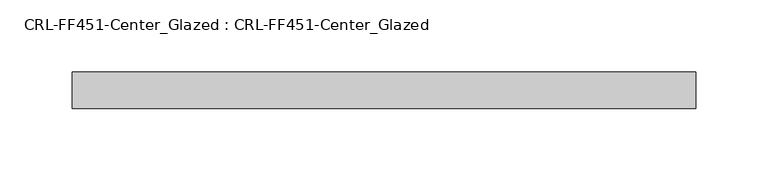
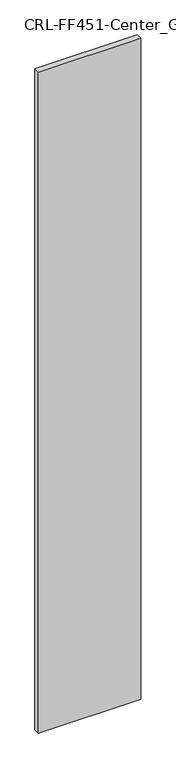
"""IFC4 building model written with IfcOpenShell, lengths in millimetres: plate geometry, CRL-FF451-Center_Glazed : CRL-FF451-Center_Glazed."""

import ifcopenshell
import ifcopenshell.guid

model = None  # the IFC model being written
_history = None  # IfcOwnerHistory: only IFC2X3 demands one
_inside = {}  # id of a spatial element -> (the spatial element, [elements in it])
_under = {}  # id of a project, library or spatial element -> (it, [spatial elements below it])
_declared = {}  # id of a project -> (the project, [libraries it declares])
_typed = {}  # id of a type object -> (the type object, [elements of that type])
_made_of = {}  # id of a material, layer set ... -> (it, [elements and type objects made of it])


def new_model(schema):
    """Start an empty IFC model of exactly this schema.

    Asked for "IFC4X3", IfcOpenShell would pick the latest addendum, in which some entities
    have other attributes; the version numbers below select the first issue.
    IFC2X3 requires an IfcOwnerHistory on every rooted entity: one is made here for all.
    """
    global model, _history
    if schema == "IFC4X3":
        model = ifcopenshell.file(schema_version=(4, 3, 0, 0))
    else:
        model = ifcopenshell.file(schema=schema)
    _inside.clear()
    _under.clear()
    _declared.clear()
    _typed.clear()
    _made_of.clear()
    _history = None
    if model.schema == "IFC2X3":
        org = make("IfcOrganization", Name="unknown")
        user = make(
            "IfcPersonAndOrganization",
            ThePerson=make("IfcPerson", FamilyName="unknown"),
            TheOrganization=org,
        )
        app = make(
            "IfcApplication",
            ApplicationDeveloper=org,
            Version="unknown",
            ApplicationFullName="unknown",
            ApplicationIdentifier="unknown",
        )
        _history = make(
            "IfcOwnerHistory",
            OwningUser=user,
            OwningApplication=app,
            ChangeAction="ADDED",
            CreationDate=0,
        )
    return model


def make(cls, **values):
    """One entity of the class cls with the attributes given. An attribute that is None is left unset."""
    return model.create_entity(
        cls, **{name: value for name, value in values.items() if value is not None}
    )


def rooted(cls, **values):
    """An entity with a GlobalId (a new one), such as an element, a storey or a relation."""
    return make(cls, GlobalId=ifcopenshell.guid.new(), OwnerHistory=_history, **values)


def si_unit(unit_type, name, prefix=None):
    """IfcSIUnit, for example si_unit("LENGTHUNIT", "METRE", prefix="MILLI")."""
    return make("IfcSIUnit", UnitType=unit_type, Prefix=prefix, Name=name)


def assignment(units):
    """IfcUnitAssignment: the units of a project."""
    return None if units is None else make("IfcUnitAssignment", Units=units)


def point(xyz):
    """IfcCartesianPoint."""
    return None if xyz is None else make("IfcCartesianPoint", Coordinates=xyz)


def direction(xyz):
    """IfcDirection."""
    return None if xyz is None else make("IfcDirection", DirectionRatios=xyz)


def frame(location, z_axis=None, x_axis=None):
    """IfcAxis2Placement3D, a coordinate frame: its origin and axes. An axis left out is left unset."""
    return make(
        "IfcAxis2Placement3D",
        Location=point(location),
        Axis=direction(z_axis),
        RefDirection=direction(x_axis),
    )


def origin():
    """The frame at (0, 0, 0) with its axes left unset."""
    return frame((0.0, 0.0, 0.0))


def origin_with_axes():
    """The frame at (0, 0, 0) with the z axis (0, 0, 1) and the x axis (1, 0, 0) written out."""
    return frame((0.0, 0.0, 0.0), z_axis=(0.0, 0.0, 1.0), x_axis=(1.0, 0.0, 0.0))


def place(relative_to, where):
    """IfcLocalPlacement: puts the frame where relative to a parent placement (None: the world)."""
    return make(
        "IfcLocalPlacement", PlacementRelTo=relative_to, RelativePlacement=where
    )


def context(
    kind, dimensions, precision=None, world=None, true_north=None, identifier=None
):
    """IfcGeometricRepresentationContext, for example the 3D "Model" context."""
    return make(
        "IfcGeometricRepresentationContext",
        ContextIdentifier=identifier,
        ContextType=kind,
        CoordinateSpaceDimension=dimensions,
        Precision=precision,
        WorldCoordinateSystem=world,
        TrueNorth=true_north,
    )


def project(units=None, contexts=None):
    """IfcProject with its units and contexts."""
    return rooted(
        "IfcProject",
        Name="project",
        RepresentationContexts=contexts,
        UnitsInContext=assignment(units),
    )


def spatial(cls, under=None, at=None, **own):
    """A site, building, storey or space (cls), placed at a placement, below another one or the project."""
    s = rooted(cls, ObjectPlacement=at, **own)
    if under is not None:
        _under.setdefault(under.id(), (under, []))[1].append(s)
    return s


def polyline(points):
    """IfcPolyline through the points."""
    return make("IfcPolyline", Points=[point(p) for p in points])


def outline(outer, holes=None, kind="AREA"):
    """IfcArbitraryClosedProfileDef: a profile drawn as a closed curve; with holes, ...WithVoids."""
    if holes is None:
        return make("IfcArbitraryClosedProfileDef", ProfileType=kind, OuterCurve=outer)
    return make(
        "IfcArbitraryProfileDefWithVoids",
        ProfileType=kind,
        OuterCurve=outer,
        InnerCurves=holes,
    )


def extrude(swept, where, along, depth):
    """IfcExtrudedAreaSolid: the profile swept, set in the frame where, extruded along a direction by depth."""
    return make(
        "IfcExtrudedAreaSolid",
        SweptArea=swept,
        Position=where,
        ExtrudedDirection=direction(along),
        Depth=depth,
    )


def shape(context_of_items, identifier, shape_type, items):
    """IfcShapeRepresentation: the items that make up one representation, for example the "Body"."""
    return make(
        "IfcShapeRepresentation",
        ContextOfItems=context_of_items,
        RepresentationIdentifier=identifier,
        RepresentationType=shape_type,
        Items=items,
    )


def source(mapping_origin, context_of_items, identifier, shape_type, items):
    """IfcRepresentationMap: a shape defined once, which mapped items show again and again."""
    return make(
        "IfcRepresentationMap",
        MappingOrigin=mapping_origin,
        MappedRepresentation=shape(context_of_items, identifier, shape_type, items),
    )


def transform(
    local_origin,
    x_axis=None,
    y_axis=None,
    z_axis=None,
    scale=None,
    scale2=None,
    scale3=None,
    uniform=True,
):
    """IfcCartesianTransformationOperator3D, or its non-uniform kind. x_axis, y_axis, z_axis: its Axis1, 2, 3."""
    if uniform:
        return make(
            "IfcCartesianTransformationOperator3D",
            Axis1=direction(x_axis),
            Axis2=direction(y_axis),
            LocalOrigin=point(local_origin),
            Scale=scale,
            Axis3=direction(z_axis),
        )
    return make(
        "IfcCartesianTransformationOperator3DnonUniform",
        Axis1=direction(x_axis),
        Axis2=direction(y_axis),
        LocalOrigin=point(local_origin),
        Scale=scale,
        Axis3=direction(z_axis),
        Scale2=scale2,
        Scale3=scale3,
    )


def mapped(mapping_source, mapping_target):
    """IfcMappedItem: shows the shape of a source again, moved by a transform."""
    return make(
        "IfcMappedItem", MappingSource=mapping_source, MappingTarget=mapping_target
    )


def made_of(thing, what):
    """Note that an element or type object is made of a material, layer set ...; save() writes the relation."""
    if what is not None:
        _made_of.setdefault(what.id(), (what, []))[1].append(thing)
    return thing


def element(
    cls,
    number,
    at=None,
    inside=None,
    cuts=None,
    type_object=None,
    material=None,
    context=None,
    identifier="Body",
    shape_type=None,
    held_by="IfcProductDefinitionShape",
    body=None,
    shapes=None,
    **own,
):
    """One element of the class cls, such as IfcWall. Its Tag is "e" and its number.

    at: its placement. inside: the storey or other place that contains it. cuts: it is an
    opening in that element (IfcRelVoidsElement). A single representation is given by context,
    identifier, shape_type and body (its items); several are given by shapes. held_by: the class
    of the entity that holds the representations. save() writes the other relations.
    """
    e = rooted(cls, Tag="e%d" % number, ObjectPlacement=at, **own)
    if body is not None:
        shapes = [shape(context, identifier, shape_type, body)]
    if shapes is not None:
        e.Representation = make(held_by, Representations=shapes)
    if inside is not None:
        _inside.setdefault(inside.id(), (inside, []))[1].append(e)
    if cuts is not None:
        rooted(
            "IfcRelVoidsElement", RelatingBuildingElement=cuts, RelatedOpeningElement=e
        )
    if type_object is not None:
        _typed.setdefault(type_object.id(), (type_object, []))[1].append(e)
    return made_of(e, material)


def aggregate(whole, parts):
    """IfcRelAggregates: a whole, such as a stair, and the parts it consists of."""
    return rooted("IfcRelAggregates", RelatingObject=whole, RelatedObjects=parts)


def save(model, path):
    """Write the relations noted so far, then the file.

    IfcRelAggregates (storeys below a building ...), IfcRelContainedInSpatialStructure (elements
    in a storey), IfcRelDefinesByType, IfcRelAssociatesMaterial and IfcRelDeclares: one each for
    every whole, place, type object, material and project.
    """
    for whole, parts in _under.values():
        aggregate(whole, parts)
    for where, things in _inside.values():
        rooted(
            "IfcRelContainedInSpatialStructure",
            RelatedElements=things,
            RelatingStructure=where,
        )
    for kind, things in _typed.values():
        rooted("IfcRelDefinesByType", RelatedObjects=things, RelatingType=kind)
    for what, things in _made_of.values():
        rooted("IfcRelAssociatesMaterial", RelatedObjects=things, RelatingMaterial=what)
    for by, libraries in _declared.values():
        rooted("IfcRelDeclares", RelatingContext=by, RelatedDefinitions=libraries)
    model.write(path)


def crl_ff451_center_glazed_crl_ff451_center_glazed_3974054e(model_context):
    return source(origin(), model_context, "Body", "SweptSolid", [
        extrude(outline(polyline([(-216.6277182, -12.709956), (-216.6277182, 12.709956), (216.6277182, 12.709956), (216.6277182, -12.709956), (-216.6277182, -12.709956)])), origin_with_axes(), (0.0, 0.0, 1.0), 2959.090259),
    ])


if __name__ == "__main__":
    model = new_model("IFC4")
    model_context = context("Model", 3, world=origin())
    ifc_project = project(units=[si_unit("LENGTHUNIT", "METRE", prefix="MILLI")], contexts=[model_context])
    site = spatial("IfcSite", under=ifc_project)
    building = spatial("IfcBuilding", under=site)
    placement = place(None, origin())
    crl_ff451_center_glazed_crl_ff451_center_glazed_shape = crl_ff451_center_glazed_crl_ff451_center_glazed_3974054e(model_context)
    element("IfcPlate", 1, ObjectType="CRL-FF451-Center_Glazed : CRL-FF451-Center_Glazed", at=placement, inside=building, context=model_context, shape_type="MappedRepresentation", body=[
        mapped(crl_ff451_center_glazed_crl_ff451_center_glazed_shape, transform((0.0, 0.0, 0.0), x_axis=(1.0, 0.0, 0.0), y_axis=(0.0, 1.0, 0.0), z_axis=(0.0, 0.0, 1.0))),
    ])
    save(model, "model.ifc")
